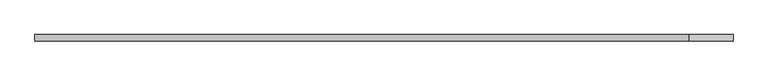
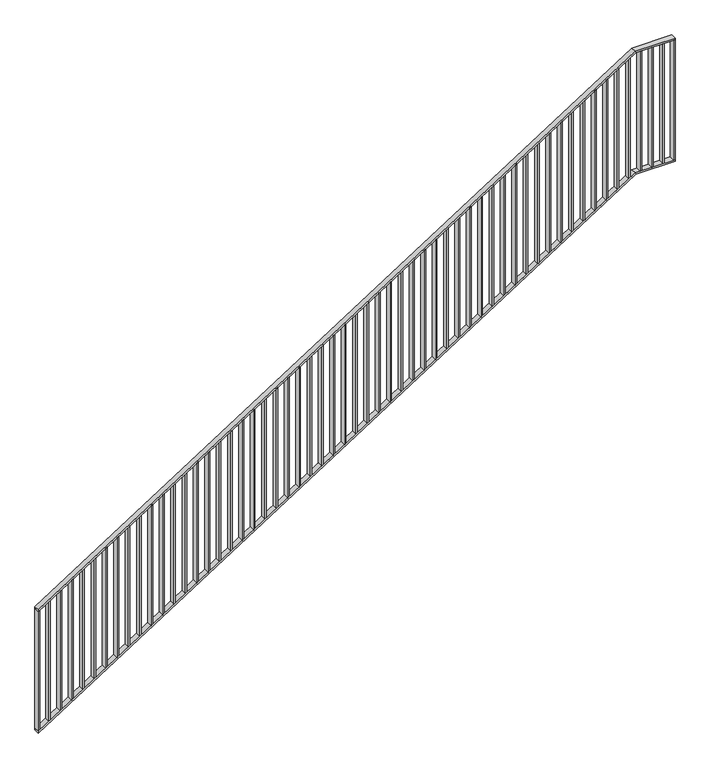
"""IFC4 building model written with IfcOpenShell, lengths in millimetres: railing geometry."""

from ifc_helpers import new_model, si_unit, frame, origin, place, context, project, spatial, polyline, outline, extrude, faceted_brep, source, transform, mapped, element, save


def railing_e4a22344(model_context):
    return source(origin(), model_context, "Body", "SolidModel", [
        faceted_brep([(40020.0, 1014.6, 1178.125), (40020.0, 1014.6, 1166.2576574), (40020.0, 974.6, 1166.2576574), (40020.0, 974.6, 1178.125), (44201.25, 1014.6, 3850.0), (44204.1722273, 1014.6, 3840.0), (44204.1722273, 974.6, 3840.0), (44201.25, 974.6, 3850.0), (44480.0, 1014.6, 3850.0), (44480.0, 974.6, 3850.0), (44480.0, 974.6, 3840.0), (44480.0, 1014.6, 3840.0)], [[[0, 1, 2, 3]], [[1, 0, 4, 5]], [[2, 1, 5, 6]], [[3, 2, 6, 7]], [[0, 3, 7, 4]], [[8, 9, 10, 11]], [[5, 4, 8, 11]], [[6, 5, 11, 10]], [[7, 6, 10, 9]], [[4, 7, 9, 8]]]),
        faceted_brep([(40020.0, 1014.6, 278.125), (40020.0, 1014.6, 266.2576574), (40020.0, 974.6, 266.2576574), (40020.0, 974.6, 278.125), (44201.25, 1014.6, 2950.0), (44204.1722273, 1014.6, 2940.0), (44204.1722273, 974.6, 2940.0), (44201.25, 974.6, 2950.0), (44480.0, 1014.6, 2950.0), (44480.0, 974.6, 2950.0), (44480.0, 974.6, 2940.0), (44480.0, 1014.6, 2940.0)], [[[0, 1, 2, 3]], [[1, 0, 4, 5]], [[2, 1, 5, 6]], [[3, 2, 6, 7]], [[0, 3, 7, 4]], [[8, 9, 10, 11]], [[5, 4, 8, 11]], [[6, 5, 11, 10]], [[7, 6, 10, 9]], [[4, 7, 9, 8]]]),
        extrude(outline(polyline([(44395.3571429, 1014.6), (44405.3571429, 1014.6), (44405.3571429, 974.6), (44395.3571429, 974.6), (44395.3571429, 1014.6)])), frame((0.0, 0.0, 2950.0), z_axis=(0.0, 0.0, 1.0), x_axis=(1.0, 0.0, 0.0)), (0.0, 0.0, 1.0), 890.0),
        extrude(outline(polyline([(44315.7142857, 1014.6), (44325.7142857, 1014.6), (44325.7142857, 974.6), (44315.7142857, 974.6), (44315.7142857, 1014.6)])), frame((0.0, 0.0, 2950.0), z_axis=(0.0, 0.0, 1.0), x_axis=(1.0, 0.0, 0.0)), (0.0, 0.0, 1.0), 890.0),
        extrude(outline(polyline([(44236.0714286, 1014.6), (44246.0714286, 1014.6), (44246.0714286, 974.6), (44236.0714286, 974.6), (44236.0714286, 1014.6)])), frame((0.0, 0.0, 2950.0), z_axis=(0.0, 0.0, 1.0), x_axis=(1.0, 0.0, 0.0)), (0.0, 0.0, 1.0), 890.0),
        extrude(outline(polyline([(2921.3585042, 44156.4285714), (2927.7486387, 44166.4285714), (3817.7486387, 44166.4285714), (3811.3585042, 44156.4285714), (2921.3585042, 44156.4285714)])), frame((0.0, 974.6, 0.0), z_axis=(0.0, 1.0, 0.0), x_axis=(0.0, 0.0, 1.0)), (0.0, 0.0, 1.0), 40.0),
        extrude(outline(polyline([(2870.465647, 44076.7857143), (2876.8557816, 44086.7857143), (3766.8557816, 44086.7857143), (3760.465647, 44076.7857143), (2870.465647, 44076.7857143)])), frame((0.0, 974.6, 0.0), z_axis=(0.0, 1.0, 0.0), x_axis=(0.0, 0.0, 1.0)), (0.0, 0.0, 1.0), 40.0),
        extrude(outline(polyline([(2819.5727899, 43997.1428571), (2825.9629244, 44007.1428571), (3715.9629244, 44007.1428571), (3709.5727899, 43997.1428571), (2819.5727899, 43997.1428571)])), frame((0.0, 974.6, 0.0), z_axis=(0.0, 1.0, 0.0), x_axis=(0.0, 0.0, 1.0)), (0.0, 0.0, 1.0), 40.0),
        extrude(outline(polyline([(2768.6799327, 43917.5), (2775.0700673, 43927.5), (3665.0700673, 43927.5), (3658.6799327, 43917.5), (2768.6799327, 43917.5)])), frame((0.0, 974.6, 0.0), z_axis=(0.0, 1.0, 0.0), x_axis=(0.0, 0.0, 1.0)), (0.0, 0.0, 1.0), 40.0),
        extrude(outline(polyline([(2717.7870756, 43837.8571429), (2724.1772101, 43847.8571429), (3614.1772101, 43847.8571429), (3607.7870756, 43837.8571429), (2717.7870756, 43837.8571429)])), frame((0.0, 974.6, 0.0), z_axis=(0.0, 1.0, 0.0), x_axis=(0.0, 0.0, 1.0)), (0.0, 0.0, 1.0), 40.0),
        extrude(outline(polyline([(2666.8942184, 43758.2142857), (2673.284353, 43768.2142857), (3563.284353, 43768.2142857), (3556.8942184, 43758.2142857), (2666.8942184, 43758.2142857)])), frame((0.0, 974.6, 0.0), z_axis=(0.0, 1.0, 0.0), x_axis=(0.0, 0.0, 1.0)), (0.0, 0.0, 1.0), 40.0),
        extrude(outline(polyline([(2616.0013613, 43678.5714286), (2622.3914958, 43688.5714286), (3512.3914958, 43688.5714286), (3506.0013613, 43678.5714286), (2616.0013613, 43678.5714286)])), frame((0.0, 974.6, 0.0), z_axis=(0.0, 1.0, 0.0), x_axis=(0.0, 0.0, 1.0)), (0.0, 0.0, 1.0), 40.0),
        extrude(outline(polyline([(2565.1085042, 43598.9285714), (2571.4986387, 43608.9285714), (3461.4986387, 43608.9285714), (3455.1085042, 43598.9285714), (2565.1085042, 43598.9285714)])), frame((0.0, 974.6, 0.0), z_axis=(0.0, 1.0, 0.0), x_axis=(0.0, 0.0, 1.0)), (0.0, 0.0, 1.0), 40.0),
        extrude(outline(polyline([(2514.215647, 43519.2857143), (2520.6057816, 43529.2857143), (3410.6057816, 43529.2857143), (3404.215647, 43519.2857143), (2514.215647, 43519.2857143)])), frame((0.0, 974.6, 0.0), z_axis=(0.0, 1.0, 0.0), x_axis=(0.0, 0.0, 1.0)), (0.0, 0.0, 1.0), 40.0),
        extrude(outline(polyline([(2463.3227899, 43439.6428571), (2469.7129244, 43449.6428571), (3359.7129244, 43449.6428571), (3353.3227899, 43439.6428571), (2463.3227899, 43439.6428571)])), frame((0.0, 974.6, 0.0), z_axis=(0.0, 1.0, 0.0), x_axis=(0.0, 0.0, 1.0)), (0.0, 0.0, 1.0), 40.0),
        extrude(outline(polyline([(2412.4299327, 43360.0), (2418.8200673, 43370.0), (3308.8200673, 43370.0), (3302.4299327, 43360.0), (2412.4299327, 43360.0)])), frame((0.0, 974.6, 0.0), z_axis=(0.0, 1.0, 0.0), x_axis=(0.0, 0.0, 1.0)), (0.0, 0.0, 1.0), 40.0),
        extrude(outline(polyline([(2361.5370756, 43280.3571429), (2367.9272101, 43290.3571429), (3257.9272101, 43290.3571429), (3251.5370756, 43280.3571429), (2361.5370756, 43280.3571429)])), frame((0.0, 974.6, 0.0), z_axis=(0.0, 1.0, 0.0), x_axis=(0.0, 0.0, 1.0)), (0.0, 0.0, 1.0), 40.0),
        extrude(outline(polyline([(2310.6442184, 43200.7142857), (2317.034353, 43210.7142857), (3207.034353, 43210.7142857), (3200.6442184, 43200.7142857), (2310.6442184, 43200.7142857)])), frame((0.0, 974.6, 0.0), z_axis=(0.0, 1.0, 0.0), x_axis=(0.0, 0.0, 1.0)), (0.0, 0.0, 1.0), 40.0),
        extrude(outline(polyline([(2259.7513613, 43121.0714286), (2266.1414958, 43131.0714286), (3156.1414958, 43131.0714286), (3149.7513613, 43121.0714286), (2259.7513613, 43121.0714286)])), frame((0.0, 974.6, 0.0), z_axis=(0.0, 1.0, 0.0), x_axis=(0.0, 0.0, 1.0)), (0.0, 0.0, 1.0), 40.0),
        extrude(outline(polyline([(2208.8585042, 43041.4285714), (2215.2486387, 43051.4285714), (3105.2486387, 43051.4285714), (3098.8585042, 43041.4285714), (2208.8585042, 43041.4285714)])), frame((0.0, 974.6, 0.0), z_axis=(0.0, 1.0, 0.0), x_axis=(0.0, 0.0, 1.0)), (0.0, 0.0, 1.0), 40.0),
        extrude(outline(polyline([(2157.965647, 42961.7857143), (2164.3557816, 42971.7857143), (3054.3557816, 42971.7857143), (3047.965647, 42961.7857143), (2157.965647, 42961.7857143)])), frame((0.0, 974.6, 0.0), z_axis=(0.0, 1.0, 0.0), x_axis=(0.0, 0.0, 1.0)), (0.0, 0.0, 1.0), 40.0),
        extrude(outline(polyline([(2107.0727899, 42882.1428571), (2113.4629244, 42892.1428571), (3003.4629244, 42892.1428571), (2997.0727899, 42882.1428571), (2107.0727899, 42882.1428571)])), frame((0.0, 974.6, 0.0), z_axis=(0.0, 1.0, 0.0), x_axis=(0.0, 0.0, 1.0)), (0.0, 0.0, 1.0), 40.0),
        extrude(outline(polyline([(2056.1799327, 42802.5), (2062.5700673, 42812.5), (2952.5700673, 42812.5), (2946.1799327, 42802.5), (2056.1799327, 42802.5)])), frame((0.0, 974.6, 0.0), z_axis=(0.0, 1.0, 0.0), x_axis=(0.0, 0.0, 1.0)), (0.0, 0.0, 1.0), 40.0),
        extrude(outline(polyline([(2005.2870756, 42722.8571429), (2011.6772101, 42732.8571429), (2901.6772101, 42732.8571429), (2895.2870756, 42722.8571429), (2005.2870756, 42722.8571429)])), frame((0.0, 974.6, 0.0), z_axis=(0.0, 1.0, 0.0), x_axis=(0.0, 0.0, 1.0)), (0.0, 0.0, 1.0), 40.0),
        extrude(outline(polyline([(1954.3942184, 42643.2142857), (1960.784353, 42653.2142857), (2850.784353, 42653.2142857), (2844.3942184, 42643.2142857), (1954.3942184, 42643.2142857)])), frame((0.0, 974.6, 0.0), z_axis=(0.0, 1.0, 0.0), x_axis=(0.0, 0.0, 1.0)), (0.0, 0.0, 1.0), 40.0),
        extrude(outline(polyline([(1903.5013613, 42563.5714286), (1909.8914958, 42573.5714286), (2799.8914958, 42573.5714286), (2793.5013613, 42563.5714286), (1903.5013613, 42563.5714286)])), frame((0.0, 974.6, 0.0), z_axis=(0.0, 1.0, 0.0), x_axis=(0.0, 0.0, 1.0)), (0.0, 0.0, 1.0), 40.0),
        extrude(outline(polyline([(1852.6085042, 42483.9285714), (1858.9986387, 42493.9285714), (2748.9986387, 42493.9285714), (2742.6085042, 42483.9285714), (1852.6085042, 42483.9285714)])), frame((0.0, 974.6, 0.0), z_axis=(0.0, 1.0, 0.0), x_axis=(0.0, 0.0, 1.0)), (0.0, 0.0, 1.0), 40.0),
        extrude(outline(polyline([(1801.715647, 42404.2857143), (1808.1057816, 42414.2857143), (2698.1057816, 42414.2857143), (2691.715647, 42404.2857143), (1801.715647, 42404.2857143)])), frame((0.0, 974.6, 0.0), z_axis=(0.0, 1.0, 0.0), x_axis=(0.0, 0.0, 1.0)), (0.0, 0.0, 1.0), 40.0),
        extrude(outline(polyline([(1750.8227899, 42324.6428571), (1757.2129244, 42334.6428571), (2647.2129244, 42334.6428571), (2640.8227899, 42324.6428571), (1750.8227899, 42324.6428571)])), frame((0.0, 974.6, 0.0), z_axis=(0.0, 1.0, 0.0), x_axis=(0.0, 0.0, 1.0)), (0.0, 0.0, 1.0), 40.0),
        extrude(outline(polyline([(1699.9299327, 42245.0), (1706.3200673, 42255.0), (2596.3200673, 42255.0), (2589.9299327, 42245.0), (1699.9299327, 42245.0)])), frame((0.0, 974.6, 0.0), z_axis=(0.0, 1.0, 0.0), x_axis=(0.0, 0.0, 1.0)), (0.0, 0.0, 1.0), 40.0),
        extrude(outline(polyline([(1649.0370756, 42165.3571429), (1655.4272101, 42175.3571429), (2545.4272101, 42175.3571429), (2539.0370756, 42165.3571429), (1649.0370756, 42165.3571429)])), frame((0.0, 974.6, 0.0), z_axis=(0.0, 1.0, 0.0), x_axis=(0.0, 0.0, 1.0)), (0.0, 0.0, 1.0), 40.0),
        extrude(outline(polyline([(1598.1442184, 42085.7142857), (1604.534353, 42095.7142857), (2494.534353, 42095.7142857), (2488.1442184, 42085.7142857), (1598.1442184, 42085.7142857)])), frame((0.0, 974.6, 0.0), z_axis=(0.0, 1.0, 0.0), x_axis=(0.0, 0.0, 1.0)), (0.0, 0.0, 1.0), 40.0),
        extrude(outline(polyline([(1547.2513613, 42006.0714286), (1553.6414958, 42016.0714286), (2443.6414958, 42016.0714286), (2437.2513613, 42006.0714286), (1547.2513613, 42006.0714286)])), frame((0.0, 974.6, 0.0), z_axis=(0.0, 1.0, 0.0), x_axis=(0.0, 0.0, 1.0)), (0.0, 0.0, 1.0), 40.0),
        extrude(outline(polyline([(1496.3585042, 41926.4285714), (1502.7486387, 41936.4285714), (2392.7486387, 41936.4285714), (2386.3585042, 41926.4285714), (1496.3585042, 41926.4285714)])), frame((0.0, 974.6, 0.0), z_axis=(0.0, 1.0, 0.0), x_axis=(0.0, 0.0, 1.0)), (0.0, 0.0, 1.0), 40.0),
        extrude(outline(polyline([(1445.465647, 41846.7857143), (1451.8557816, 41856.7857143), (2341.8557816, 41856.7857143), (2335.465647, 41846.7857143), (1445.465647, 41846.7857143)])), frame((0.0, 974.6, 0.0), z_axis=(0.0, 1.0, 0.0), x_axis=(0.0, 0.0, 1.0)), (0.0, 0.0, 1.0), 40.0),
        extrude(outline(polyline([(1394.5727899, 41767.1428571), (1400.9629244, 41777.1428571), (2290.9629244, 41777.1428571), (2284.5727899, 41767.1428571), (1394.5727899, 41767.1428571)])), frame((0.0, 974.6, 0.0), z_axis=(0.0, 1.0, 0.0), x_axis=(0.0, 0.0, 1.0)), (0.0, 0.0, 1.0), 40.0),
        extrude(outline(polyline([(1343.6799327, 41687.5), (1350.0700673, 41697.5), (2240.0700673, 41697.5), (2233.6799327, 41687.5), (1343.6799327, 41687.5)])), frame((0.0, 974.6, 0.0), z_axis=(0.0, 1.0, 0.0), x_axis=(0.0, 0.0, 1.0)), (0.0, 0.0, 1.0), 40.0),
        extrude(outline(polyline([(1292.7870756, 41607.8571429), (1299.1772101, 41617.8571429), (2189.1772101, 41617.8571429), (2182.7870756, 41607.8571429), (1292.7870756, 41607.8571429)])), frame((0.0, 974.6, 0.0), z_axis=(0.0, 1.0, 0.0), x_axis=(0.0, 0.0, 1.0)), (0.0, 0.0, 1.0), 40.0),
        extrude(outline(polyline([(1241.8942184, 41528.2142857), (1248.284353, 41538.2142857), (2138.284353, 41538.2142857), (2131.8942184, 41528.2142857), (1241.8942184, 41528.2142857)])), frame((0.0, 974.6, 0.0), z_axis=(0.0, 1.0, 0.0), x_axis=(0.0, 0.0, 1.0)), (0.0, 0.0, 1.0), 40.0),
        extrude(outline(polyline([(1191.0013613, 41448.5714286), (1197.3914958, 41458.5714286), (2087.3914958, 41458.5714286), (2081.0013613, 41448.5714286), (1191.0013613, 41448.5714286)])), frame((0.0, 974.6, 0.0), z_axis=(0.0, 1.0, 0.0), x_axis=(0.0, 0.0, 1.0)), (0.0, 0.0, 1.0), 40.0),
        extrude(outline(polyline([(1140.1085042, 41368.9285714), (1146.4986387, 41378.9285714), (2036.4986387, 41378.9285714), (2030.1085042, 41368.9285714), (1140.1085042, 41368.9285714)])), frame((0.0, 974.6, 0.0), z_axis=(0.0, 1.0, 0.0), x_axis=(0.0, 0.0, 1.0)), (0.0, 0.0, 1.0), 40.0),
        extrude(outline(polyline([(1089.215647, 41289.2857143), (1095.6057816, 41299.2857143), (1985.6057816, 41299.2857143), (1979.215647, 41289.2857143), (1089.215647, 41289.2857143)])), frame((0.0, 974.6, 0.0), z_axis=(0.0, 1.0, 0.0), x_axis=(0.0, 0.0, 1.0)), (0.0, 0.0, 1.0), 40.0),
        extrude(outline(polyline([(1038.3227899, 41209.6428571), (1044.7129244, 41219.6428571), (1934.7129244, 41219.6428571), (1928.3227899, 41209.6428571), (1038.3227899, 41209.6428571)])), frame((0.0, 974.6, 0.0), z_axis=(0.0, 1.0, 0.0), x_axis=(0.0, 0.0, 1.0)), (0.0, 0.0, 1.0), 40.0),
        extrude(outline(polyline([(987.4299327, 41130.0), (993.8200673, 41140.0), (1883.8200673, 41140.0), (1877.4299327, 41130.0), (987.4299327, 41130.0)])), frame((0.0, 974.6, 0.0), z_axis=(0.0, 1.0, 0.0), x_axis=(0.0, 0.0, 1.0)), (0.0, 0.0, 1.0), 40.0),
        extrude(outline(polyline([(936.5370756, 41050.3571429), (942.9272101, 41060.3571429), (1832.9272101, 41060.3571429), (1826.5370756, 41050.3571429), (936.5370756, 41050.3571429)])), frame((0.0, 974.6, 0.0), z_axis=(0.0, 1.0, 0.0), x_axis=(0.0, 0.0, 1.0)), (0.0, 0.0, 1.0), 40.0),
        extrude(outline(polyline([(885.6442184, 40970.7142857), (892.034353, 40980.7142857), (1782.034353, 40980.7142857), (1775.6442184, 40970.7142857), (885.6442184, 40970.7142857)])), frame((0.0, 974.6, 0.0), z_axis=(0.0, 1.0, 0.0), x_axis=(0.0, 0.0, 1.0)), (0.0, 0.0, 1.0), 40.0),
        extrude(outline(polyline([(834.7513613, 40891.0714286), (841.1414958, 40901.0714286), (1731.1414958, 40901.0714286), (1724.7513613, 40891.0714286), (834.7513613, 40891.0714286)])), frame((0.0, 974.6, 0.0), z_axis=(0.0, 1.0, 0.0), x_axis=(0.0, 0.0, 1.0)), (0.0, 0.0, 1.0), 40.0),
        extrude(outline(polyline([(783.8585042, 40811.4285714), (790.2486387, 40821.4285714), (1680.2486387, 40821.4285714), (1673.8585042, 40811.4285714), (783.8585042, 40811.4285714)])), frame((0.0, 974.6, 0.0), z_axis=(0.0, 1.0, 0.0), x_axis=(0.0, 0.0, 1.0)), (0.0, 0.0, 1.0), 40.0),
        extrude(outline(polyline([(732.965647, 40731.7857143), (739.3557816, 40741.7857143), (1629.3557816, 40741.7857143), (1622.965647, 40731.7857143), (732.965647, 40731.7857143)])), frame((0.0, 974.6, 0.0), z_axis=(0.0, 1.0, 0.0), x_axis=(0.0, 0.0, 1.0)), (0.0, 0.0, 1.0), 40.0),
        extrude(outline(polyline([(682.0727899, 40652.1428571), (688.4629244, 40662.1428571), (1578.4629244, 40662.1428571), (1572.0727899, 40652.1428571), (682.0727899, 40652.1428571)])), frame((0.0, 974.6, 0.0), z_axis=(0.0, 1.0, 0.0), x_axis=(0.0, 0.0, 1.0)), (0.0, 0.0, 1.0), 40.0),
        extrude(outline(polyline([(631.1799327, 40572.5), (637.5700673, 40582.5), (1527.5700673, 40582.5), (1521.1799327, 40572.5), (631.1799327, 40572.5)])), frame((0.0, 974.6, 0.0), z_axis=(0.0, 1.0, 0.0), x_axis=(0.0, 0.0, 1.0)), (0.0, 0.0, 1.0), 40.0),
        extrude(outline(polyline([(580.2870756, 40492.8571429), (586.6772101, 40502.8571429), (1476.6772101, 40502.8571429), (1470.2870756, 40492.8571429), (580.2870756, 40492.8571429)])), frame((0.0, 974.6, 0.0), z_axis=(0.0, 1.0, 0.0), x_axis=(0.0, 0.0, 1.0)), (0.0, 0.0, 1.0), 40.0),
        extrude(outline(polyline([(529.3942184, 40413.2142857), (535.784353, 40423.2142857), (1425.784353, 40423.2142857), (1419.3942184, 40413.2142857), (529.3942184, 40413.2142857)])), frame((0.0, 974.6, 0.0), z_axis=(0.0, 1.0, 0.0), x_axis=(0.0, 0.0, 1.0)), (0.0, 0.0, 1.0), 40.0),
        extrude(outline(polyline([(478.5013613, 40333.5714286), (484.8914958, 40343.5714286), (1374.8914958, 40343.5714286), (1368.5013613, 40333.5714286), (478.5013613, 40333.5714286)])), frame((0.0, 974.6, 0.0), z_axis=(0.0, 1.0, 0.0), x_axis=(0.0, 0.0, 1.0)), (0.0, 0.0, 1.0), 40.0),
        extrude(outline(polyline([(427.6085042, 40253.9285714), (433.9986387, 40263.9285714), (1323.9986387, 40263.9285714), (1317.6085042, 40253.9285714), (427.6085042, 40253.9285714)])), frame((0.0, 974.6, 0.0), z_axis=(0.0, 1.0, 0.0), x_axis=(0.0, 0.0, 1.0)), (0.0, 0.0, 1.0), 40.0),
        extrude(outline(polyline([(376.715647, 40174.2857143), (383.1057816, 40184.2857143), (1273.1057816, 40184.2857143), (1266.715647, 40174.2857143), (376.715647, 40174.2857143)])), frame((0.0, 974.6, 0.0), z_axis=(0.0, 1.0, 0.0), x_axis=(0.0, 0.0, 1.0)), (0.0, 0.0, 1.0), 40.0),
        extrude(outline(polyline([(325.8227899, 40094.6428571), (332.2129244, 40104.6428571), (1222.2129244, 40104.6428571), (1215.8227899, 40094.6428571), (325.8227899, 40094.6428571)])), frame((0.0, 974.6, 0.0), z_axis=(0.0, 1.0, 0.0), x_axis=(0.0, 0.0, 1.0)), (0.0, 0.0, 1.0), 40.0),
        extrude(outline(polyline([(44470.0, 1014.6), (44480.0, 1014.6), (44480.0, 974.6), (44470.0, 974.6), (44470.0, 1014.6)])), frame((0.0, 0.0, 2950.0), z_axis=(0.0, 0.0, 1.0), x_axis=(1.0, 0.0, 0.0)), (0.0, 0.0, 1.0), 890.0),
        extrude(outline(polyline([(278.125, 40020.0), (284.5151345, 40030.0), (1174.5151345, 40030.0), (1168.125, 40020.0), (278.125, 40020.0)])), frame((0.0, 974.6, 0.0), z_axis=(0.0, 1.0, 0.0), x_axis=(0.0, 0.0, 1.0)), (0.0, 0.0, 1.0), 40.0),
    ])


if __name__ == "__main__":
    model = new_model("IFC4")
    model_context = context("Model", 3, world=origin())
    ifc_project = project(units=[si_unit("LENGTHUNIT", "METRE", prefix="MILLI")], contexts=[model_context])
    site = spatial("IfcSite", under=ifc_project)
    building = spatial("IfcBuilding", under=site)
    placement = place(None, origin())
    railing_shape = railing_e4a22344(model_context)
    element("IfcRailing", 1, at=placement, inside=building, context=model_context, shape_type="MappedRepresentation", body=[
        mapped(railing_shape, transform((0.0, 0.0, 0.0), x_axis=(1.0, 0.0, 0.0), y_axis=(0.0, 1.0, 0.0), z_axis=(0.0, 0.0, 1.0))),
    ])
    save(model, "model.ifc")
